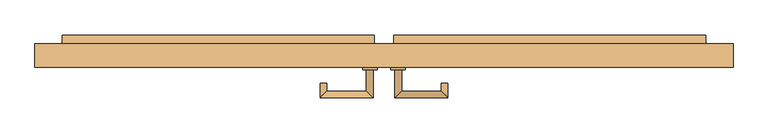
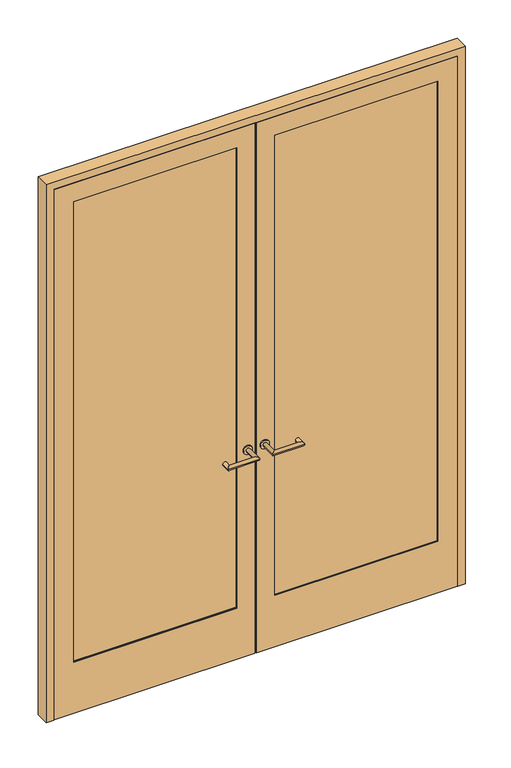
"""IFC4 building model written with IfcOpenShell, lengths in millimetres: door geometry."""

import ifcopenshell
import ifcopenshell.guid

model = None  # the IFC model being written
_history = None  # IfcOwnerHistory: only IFC2X3 demands one
_inside = {}  # id of a spatial element -> (the spatial element, [elements in it])
_under = {}  # id of a project, library or spatial element -> (it, [spatial elements below it])
_declared = {}  # id of a project -> (the project, [libraries it declares])
_typed = {}  # id of a type object -> (the type object, [elements of that type])
_made_of = {}  # id of a material, layer set ... -> (it, [elements and type objects made of it])


def new_model(schema):
    """Start an empty IFC model of exactly this schema.

    Asked for "IFC4X3", IfcOpenShell would pick the latest addendum, in which some entities
    have other attributes; the version numbers below select the first issue.
    IFC2X3 requires an IfcOwnerHistory on every rooted entity: one is made here for all.
    """
    global model, _history
    if schema == "IFC4X3":
        model = ifcopenshell.file(schema_version=(4, 3, 0, 0))
    else:
        model = ifcopenshell.file(schema=schema)
    _inside.clear()
    _under.clear()
    _declared.clear()
    _typed.clear()
    _made_of.clear()
    _history = None
    if model.schema == "IFC2X3":
        org = make("IfcOrganization", Name="unknown")
        user = make(
            "IfcPersonAndOrganization",
            ThePerson=make("IfcPerson", FamilyName="unknown"),
            TheOrganization=org,
        )
        app = make(
            "IfcApplication",
            ApplicationDeveloper=org,
            Version="unknown",
            ApplicationFullName="unknown",
            ApplicationIdentifier="unknown",
        )
        _history = make(
            "IfcOwnerHistory",
            OwningUser=user,
            OwningApplication=app,
            ChangeAction="ADDED",
            CreationDate=0,
        )
    return model


def make(cls, **values):
    """One entity of the class cls with the attributes given. An attribute that is None is left unset."""
    return model.create_entity(
        cls, **{name: value for name, value in values.items() if value is not None}
    )


def rooted(cls, **values):
    """An entity with a GlobalId (a new one), such as an element, a storey or a relation."""
    return make(cls, GlobalId=ifcopenshell.guid.new(), OwnerHistory=_history, **values)


def si_unit(unit_type, name, prefix=None):
    """IfcSIUnit, for example si_unit("LENGTHUNIT", "METRE", prefix="MILLI")."""
    return make("IfcSIUnit", UnitType=unit_type, Prefix=prefix, Name=name)


def assignment(units):
    """IfcUnitAssignment: the units of a project."""
    return None if units is None else make("IfcUnitAssignment", Units=units)


def point(xyz):
    """IfcCartesianPoint."""
    return None if xyz is None else make("IfcCartesianPoint", Coordinates=xyz)


def direction(xyz):
    """IfcDirection."""
    return None if xyz is None else make("IfcDirection", DirectionRatios=xyz)


def frame(location, z_axis=None, x_axis=None):
    """IfcAxis2Placement3D, a coordinate frame: its origin and axes. An axis left out is left unset."""
    return make(
        "IfcAxis2Placement3D",
        Location=point(location),
        Axis=direction(z_axis),
        RefDirection=direction(x_axis),
    )


def frame_2d(location, x_axis=None):
    """IfcAxis2Placement2D, a coordinate frame in the plane: its origin and x axis."""
    return make(
        "IfcAxis2Placement2D", Location=point(location), RefDirection=direction(x_axis)
    )


def origin():
    """The frame at (0, 0, 0) with its axes left unset."""
    return frame((0.0, 0.0, 0.0))


def place(relative_to, where):
    """IfcLocalPlacement: puts the frame where relative to a parent placement (None: the world)."""
    return make(
        "IfcLocalPlacement", PlacementRelTo=relative_to, RelativePlacement=where
    )


def context(
    kind, dimensions, precision=None, world=None, true_north=None, identifier=None
):
    """IfcGeometricRepresentationContext, for example the 3D "Model" context."""
    return make(
        "IfcGeometricRepresentationContext",
        ContextIdentifier=identifier,
        ContextType=kind,
        CoordinateSpaceDimension=dimensions,
        Precision=precision,
        WorldCoordinateSystem=world,
        TrueNorth=true_north,
    )


def project(units=None, contexts=None):
    """IfcProject with its units and contexts."""
    return rooted(
        "IfcProject",
        Name="project",
        RepresentationContexts=contexts,
        UnitsInContext=assignment(units),
    )


def spatial(cls, under=None, at=None, **own):
    """A site, building, storey or space (cls), placed at a placement, below another one or the project."""
    s = rooted(cls, ObjectPlacement=at, **own)
    if under is not None:
        _under.setdefault(under.id(), (under, []))[1].append(s)
    return s


def polyline(points):
    """IfcPolyline through the points."""
    return make("IfcPolyline", Points=[point(p) for p in points])


def circle_curve(where, radius):
    """IfcCircle in the frame where."""
    return make("IfcCircle", Position=where, Radius=radius)


def ellipse_curve(where, semi_axis1, semi_axis2):
    """IfcEllipse in the frame where."""
    return make(
        "IfcEllipse", Position=where, SemiAxis1=semi_axis1, SemiAxis2=semi_axis2
    )


def trimmed(basis, trim1, trim2, sense, master):
    """IfcTrimmedCurve: the piece of a basis curve between two trims."""
    return make(
        "IfcTrimmedCurve",
        BasisCurve=basis,
        Trim1=trim1,
        Trim2=trim2,
        SenseAgreement=sense,
        MasterRepresentation=master,
    )


def segment(curve, same_sense, transition):
    """IfcCompositeCurveSegment."""
    return make(
        "IfcCompositeCurveSegment",
        Transition=transition,
        SameSense=same_sense,
        ParentCurve=curve,
    )


def composite_curve(segments, self_intersect=None):
    """IfcCompositeCurve: segments joined end to end."""
    return make("IfcCompositeCurve", Segments=segments, SelfIntersect=self_intersect)


def outline(outer, holes=None, kind="AREA"):
    """IfcArbitraryClosedProfileDef: a profile drawn as a closed curve; with holes, ...WithVoids."""
    if holes is None:
        return make("IfcArbitraryClosedProfileDef", ProfileType=kind, OuterCurve=outer)
    return make(
        "IfcArbitraryProfileDefWithVoids",
        ProfileType=kind,
        OuterCurve=outer,
        InnerCurves=holes,
    )


def extrude(swept, where, along, depth):
    """IfcExtrudedAreaSolid: the profile swept, set in the frame where, extruded along a direction by depth."""
    return make(
        "IfcExtrudedAreaSolid",
        SweptArea=swept,
        Position=where,
        ExtrudedDirection=direction(along),
        Depth=depth,
    )


def faces_of(points, faces, orient=None, outer=None):
    """IfcFace entities. A face is a list of loops; a loop is a list of indices into points, from 0.

    orient and outer hold one flag for each loop. By default every Orientation is true, the
    first loop of a face is its IfcFaceOuterBound and the others are IfcFaceBound.
    """
    made = []
    for i, loops in enumerate(faces):
        bounds = []
        for j, loop in enumerate(loops):
            is_outer = j == 0 if outer is None else outer[i][j]
            bounds.append(
                make(
                    "IfcFaceOuterBound" if is_outer else "IfcFaceBound",
                    Bound=make("IfcPolyLoop", Polygon=[points[k] for k in loop]),
                    Orientation=True if orient is None else orient[i][j],
                )
            )
        made.append(make("IfcFace", Bounds=bounds))
    return made


def faceted_brep(points, faces, orient=None, outer=None, voids=None):
    """IfcFacetedBrep: a solid bounded by flat faces; with voids (closed shells), ...WithVoids."""
    shared = [point(p) for p in points]
    hull = make("IfcClosedShell", CfsFaces=faces_of(shared, faces, orient, outer))
    if voids is None:
        return make("IfcFacetedBrep", Outer=hull)
    return make(
        "IfcFacetedBrepWithVoids",
        Outer=hull,
        Voids=[
            make(cls, CfsFaces=faces_of(shared, fs, o, b)) for cls, fs, o, b in voids
        ],
    )


def shape(context_of_items, identifier, shape_type, items):
    """IfcShapeRepresentation: the items that make up one representation, for example the "Body"."""
    return make(
        "IfcShapeRepresentation",
        ContextOfItems=context_of_items,
        RepresentationIdentifier=identifier,
        RepresentationType=shape_type,
        Items=items,
    )


def source(mapping_origin, context_of_items, identifier, shape_type, items):
    """IfcRepresentationMap: a shape defined once, which mapped items show again and again."""
    return make(
        "IfcRepresentationMap",
        MappingOrigin=mapping_origin,
        MappedRepresentation=shape(context_of_items, identifier, shape_type, items),
    )


def transform(
    local_origin,
    x_axis=None,
    y_axis=None,
    z_axis=None,
    scale=None,
    scale2=None,
    scale3=None,
    uniform=True,
):
    """IfcCartesianTransformationOperator3D, or its non-uniform kind. x_axis, y_axis, z_axis: its Axis1, 2, 3."""
    if uniform:
        return make(
            "IfcCartesianTransformationOperator3D",
            Axis1=direction(x_axis),
            Axis2=direction(y_axis),
            LocalOrigin=point(local_origin),
            Scale=scale,
            Axis3=direction(z_axis),
        )
    return make(
        "IfcCartesianTransformationOperator3DnonUniform",
        Axis1=direction(x_axis),
        Axis2=direction(y_axis),
        LocalOrigin=point(local_origin),
        Scale=scale,
        Axis3=direction(z_axis),
        Scale2=scale2,
        Scale3=scale3,
    )


def mapped(mapping_source, mapping_target):
    """IfcMappedItem: shows the shape of a source again, moved by a transform."""
    return make(
        "IfcMappedItem", MappingSource=mapping_source, MappingTarget=mapping_target
    )


def made_of(thing, what):
    """Note that an element or type object is made of a material, layer set ...; save() writes the relation."""
    if what is not None:
        _made_of.setdefault(what.id(), (what, []))[1].append(thing)
    return thing


def element(
    cls,
    number,
    at=None,
    inside=None,
    cuts=None,
    type_object=None,
    material=None,
    context=None,
    identifier="Body",
    shape_type=None,
    held_by="IfcProductDefinitionShape",
    body=None,
    shapes=None,
    **own,
):
    """One element of the class cls, such as IfcWall. Its Tag is "e" and its number.

    at: its placement. inside: the storey or other place that contains it. cuts: it is an
    opening in that element (IfcRelVoidsElement). A single representation is given by context,
    identifier, shape_type and body (its items); several are given by shapes. held_by: the class
    of the entity that holds the representations. save() writes the other relations.
    """
    e = rooted(cls, Tag="e%d" % number, ObjectPlacement=at, **own)
    if body is not None:
        shapes = [shape(context, identifier, shape_type, body)]
    if shapes is not None:
        e.Representation = make(held_by, Representations=shapes)
    if inside is not None:
        _inside.setdefault(inside.id(), (inside, []))[1].append(e)
    if cuts is not None:
        rooted(
            "IfcRelVoidsElement", RelatingBuildingElement=cuts, RelatedOpeningElement=e
        )
    if type_object is not None:
        _typed.setdefault(type_object.id(), (type_object, []))[1].append(e)
    return made_of(e, material)


def aggregate(whole, parts):
    """IfcRelAggregates: a whole, such as a stair, and the parts it consists of."""
    return rooted("IfcRelAggregates", RelatingObject=whole, RelatedObjects=parts)


def save(model, path):
    """Write the relations noted so far, then the file.

    IfcRelAggregates (storeys below a building ...), IfcRelContainedInSpatialStructure (elements
    in a storey), IfcRelDefinesByType, IfcRelAssociatesMaterial and IfcRelDeclares: one each for
    every whole, place, type object, material and project.
    """
    for whole, parts in _under.values():
        aggregate(whole, parts)
    for where, things in _inside.values():
        rooted(
            "IfcRelContainedInSpatialStructure",
            RelatedElements=things,
            RelatingStructure=where,
        )
    for kind, things in _typed.values():
        rooted("IfcRelDefinesByType", RelatedObjects=things, RelatingType=kind)
    for what, things in _made_of.values():
        rooted("IfcRelAssociatesMaterial", RelatedObjects=things, RelatingMaterial=what)
    for by, libraries in _declared.values():
        rooted("IfcRelDeclares", RelatingContext=by, RelatedDefinitions=libraries)
    model.write(path)


def plane_surface(at):
    """IfcPlane: the flat surface through the origin of the frame at, square to its z axis."""
    return make("IfcPlane", Position=at)


def cylinder_surface(at, radius):
    """IfcCylindricalSurface: all points at the distance radius from the z axis of the frame at."""
    return make("IfcCylindricalSurface", Position=at, Radius=radius)


def advanced_brep(points, edges, surfaces, faces):
    """IfcAdvancedBrep: a solid bounded by faces that lie on surfaces and meet in shared edges.

    An edge is (start, end): straight between two places in points (the first is 0);
    or (start, end, curve); or (start, end, curve, False) where it runs against its curve.
    A face is (place in surfaces, loops), or (place, loops, False) where it looks against
    its surface's normal. A loop lists edges by number (the first is 1), with a minus sign
    where the edge is run from its end to its start. The first loop is the outer one.
    """
    corners = [point(p) for p in points]
    vertices = [make("IfcVertexPoint", VertexGeometry=c) for c in corners]
    made = []
    for start, end, *more in edges:
        made.append(
            make(
                "IfcEdgeCurve",
                EdgeStart=vertices[start],
                EdgeEnd=vertices[end],
                EdgeGeometry=more[0] if more else make("IfcPolyline", Points=[corners[start], corners[end]]),
                SameSense=more[1] if len(more) > 1 else True,
            )
        )
    hull = []
    for where, loops, *sense in faces:
        bounds = []
        for j, loop in enumerate(loops):
            ring = [make("IfcOrientedEdge", EdgeElement=made[abs(k) - 1], Orientation=k > 0) for k in loop]
            bounds.append(
                make(
                    "IfcFaceOuterBound" if j == 0 else "IfcFaceBound",
                    Bound=make("IfcEdgeLoop", EdgeList=ring),
                    Orientation=True,
                )
            )
        hull.append(make("IfcAdvancedFace", Bounds=bounds, FaceSurface=surfaces[where], SameSense=sense[0] if sense else True))
    return make("IfcAdvancedBrep", Outer=make("IfcClosedShell", CfsFaces=hull))


def door_088f77a7(model_context):
    return source(origin(), model_context, "Body", "SolidModel", [
        extrude(outline(polyline([(2617.7875, -941.3875), (0.0, -941.3875), (0.0, -4.7625), (2617.7875, -4.7625), (2617.7875, -941.3875)]), holes=[polyline([(254.0, -850.9), (2527.3, -850.9), (2527.3, -88.9), (254.0, -88.9), (254.0, -850.9)])]), frame((0.0, -19.05, 0.0), z_axis=(0.0, 1.0, 0.0), x_axis=(0.0, 0.0, 1.0)), (0.0, 0.0, 1.0), 2.4553029),
        faceted_brep([(-920.75, 42.6733196, 2597.15), (-4.7625, 42.6733196, 2597.15), (-4.7625, 42.6733196, 2579.6875), (-903.2875, 42.6733196, 2579.6875), (-903.2875, 42.6733196, 0.0), (-920.75, 42.6733196, 0.0), (-920.75, -16.5946971, 2597.15), (-920.75, -16.5946971, 0.0), (-4.7625, -16.5946971, 0.0), (-4.7625, -16.5946971, 2597.15), (-850.9, -16.5946971, 2527.3), (-88.9, -16.5946971, 2527.3), (-88.9, -16.5946971, 254.0), (-850.9, -16.5946971, 254.0), (-4.7625, 46.0375, 0.0), (-4.7625, 46.0375, 2579.6875), (-88.9, 46.0375, 2527.3), (-88.9, 46.0375, 254.0), (-850.9, 46.0375, 2527.3), (-850.9, 46.0375, 254.0), (-903.2875, 46.0375, 0.0), (-903.2875, 46.0375, 2579.6875)], [[[0, 1, 2, 3, 4, 5]], [[6, 7, 8, 9], [10, 11, 12, 13]], [[1, 0, 6, 9]], [[9, 8, 14, 15, 2, 1]], [[12, 11, 16, 17]], [[16, 11, 10, 18]], [[18, 10, 13, 19]], [[14, 8, 7, 5, 4, 20]], [[0, 5, 7, 6]], [[20, 21, 15, 14], [19, 17, 16, 18]], [[21, 20, 4, 3]], [[15, 21, 3, 2]], [[19, 13, 12, 17]]]),
        extrude(outline(polyline([(-850.9, 25.4), (-88.9, 25.4), (-88.9, -12.7), (-850.9, -12.7), (-850.9, 25.4)])), frame((0.0, 0.0, 254.0), z_axis=(0.0, 0.0, 1.0), x_axis=(1.0, 0.0, 0.0)), (0.0, 0.0, 1.0), 2273.3),
        advanced_brep(
        [(-49.2125, -25.4, 1020.7625), (-30.1625, -25.4, 1020.7625), (-30.1625, -104.775, 1020.7625), (-49.2125, -85.725, 1020.7625), (-179.3875, -104.775, 1020.7625), (-160.3375, -85.725, 1020.7625), (-160.3375, -63.5, 1020.7625), (-179.3875, -63.5, 1020.7625)],
        [
            (0, 1, circle_curve(frame((-39.6875, -25.4, 1020.7625), z_axis=(0.0, 1.0, 0.0), x_axis=(1.0000000000000004, 0.0, 0.0)), 9.525)),
            (1, 0, circle_curve(frame((-39.6875, -25.4, 1020.7625), z_axis=(0.0, 1.0, 0.0), x_axis=(1.0000000000000004, 0.0, 0.0)), 9.525)),
            (1, 2),
            (2, 3, ellipse_curve(frame((-39.6875, -95.25, 1020.7625), z_axis=(0.7071067811865587, 0.7071067811865362, 0.0), x_axis=(-0.7071067811865362, 0.7071067811865588, 0.0)), 13.4703842, 9.525)),
            (3, 0),
            (3, 2, ellipse_curve(frame((-39.6875, -95.25, 1020.7625), z_axis=(0.7071067811865587, 0.7071067811865362, 0.0), x_axis=(-0.7071067811865362, 0.7071067811865588, 0.0)), 13.4703842, 9.525)),
            (2, 4),
            (4, 5, ellipse_curve(frame((-169.8625, -95.25, 1020.7625), z_axis=(0.7071067811865361, -0.7071067811865589, 0.0), x_axis=(0.7071067811865588, 0.7071067811865361, 0.0)), 13.4703842, 9.525)),
            (5, 3),
            (5, 4, ellipse_curve(frame((-169.8625, -95.25, 1020.7625), z_axis=(0.7071067811865361, -0.7071067811865589, 0.0), x_axis=(0.7071067811865588, 0.7071067811865361, 0.0)), 13.4703842, 9.525)),
            (6, 7, circle_curve(frame((-169.8625, -63.5, 1020.7625), z_axis=(0.0, 1.0, 0.0), x_axis=(-1.0000000000000004, 0.0, 0.0)), 9.525)),
            (7, 6, circle_curve(frame((-169.8625, -63.5, 1020.7625), z_axis=(0.0, 1.0, 0.0), x_axis=(-1.0000000000000004, 0.0, 0.0)), 9.525)),
            (4, 7),
            (6, 5),
        ],
        [
            plane_surface(frame((-39.6875, -25.4, 0.0), z_axis=(0.0, 1.0, 0.0), x_axis=(0.0, 0.0, 1.0))),
            cylinder_surface(frame((-39.6875, -25.4, 1020.7625), z_axis=(0.0, 1.0000000000000004, 0.0), x_axis=(1.0000000000000004, 0.0, 0.0)), 9.525),
            cylinder_surface(frame((-39.6875, -95.25, 1020.7625), z_axis=(1.0000000000000004, 0.0, 0.0), x_axis=(0.0, -1.0000000000000004, 0.0)), 9.525),
            plane_surface(frame((-169.8625, -63.5, 0.0), z_axis=(0.0, 1.0, 0.0), x_axis=(0.0, 0.0, 1.0))),
            cylinder_surface(frame((-169.8625, -95.25, 1020.7625), z_axis=(0.0, -1.0000000000000004, 0.0), x_axis=(-1.0000000000000004, 0.0, 0.0)), 9.525),
        ],
        [
            (0, [[1, 2]]),
            (1, [[-2, 3, 4, 5]]),
            (1, [[-1, -5, 6, -3]]),
            (2, [[-4, 7, 8, 9]]),
            (2, [[-6, -9, 10, -7]]),
            (3, [[11, 12]]),
            (4, [[-8, 13, -11, 14]]),
            (4, [[-10, -14, -12, -13]]),
        ],
    ),
        extrude(outline(polyline([(-903.2875, 71.4375), (-26.9875, 71.4375), (-26.9875, 46.0375), (-903.2875, 46.0375), (-903.2875, 71.4375)])), frame((0.0, 0.0, 986.63125), z_axis=(0.0, 0.0, 1.0), x_axis=(1.0, 0.0, 0.0)), (0.0, 0.0, 1.0), 68.2625),
        extrude(outline(composite_curve([segment(trimmed(circle_curve(frame_2d((1020.7625, -39.6875)), 20.6375), [point((1020.7625, -60.325))], [point((1020.7625, -19.05))], False, "CARTESIAN"), True, "CONTINUOUS"), segment(trimmed(circle_curve(frame_2d((1020.7625, -39.6875)), 20.6375), [point((1020.7625, -19.05))], [point((1020.7625, -60.325))], False, "CARTESIAN"), True, "CONTINUOUS")], self_intersect=False)), frame((0.0, -25.4, 0.0), z_axis=(0.0, 1.0, 0.0), x_axis=(0.0, 0.0, 1.0)), (0.0, 0.0, 1.0), 6.35),
        extrude(outline(polyline([(2617.7875, 941.3875), (2617.7875, 4.7625), (0.0, 4.7625), (0.0, 941.3875), (2617.7875, 941.3875)]), holes=[polyline([(254.0, 850.9), (254.0, 88.9), (2527.3, 88.9), (2527.3, 850.9), (254.0, 850.9)])]), frame((0.0, -19.05, 0.0), z_axis=(0.0, 1.0, 0.0), x_axis=(0.0, 0.0, 1.0)), (0.0, 0.0, 1.0), 2.4553029),
        faceted_brep([(920.75, 42.6733196, 2597.15), (920.75, 42.6733196, 0.0), (903.2875, 42.6733196, 0.0), (903.2875, 42.6733196, 2579.6875), (4.7625, 42.6733196, 2579.6875), (4.7625, 42.6733196, 2597.15), (920.75, -16.5946971, 2597.15), (4.7625, -16.5946971, 2597.15), (4.7625, -16.5946971, 0.0), (920.75, -16.5946971, 0.0), (850.9, -16.5946971, 2527.3), (850.9, -16.5946971, 254.0), (88.9, -16.5946971, 254.0), (88.9, -16.5946971, 2527.3), (4.7625, 46.0375, 2579.6875), (4.7625, 46.0375, 0.0), (88.9, 46.0375, 254.0), (88.9, 46.0375, 2527.3), (850.9, 46.0375, 2527.3), (850.9, 46.0375, 254.0), (903.2875, 46.0375, 0.0), (903.2875, 46.0375, 2579.6875)], [[[0, 1, 2, 3, 4, 5]], [[6, 7, 8, 9], [10, 11, 12, 13]], [[5, 7, 6, 0]], [[7, 5, 4, 14, 15, 8]], [[12, 16, 17, 13]], [[17, 18, 10, 13]], [[18, 19, 11, 10]], [[15, 20, 2, 1, 9, 8]], [[0, 6, 9, 1]], [[20, 15, 14, 21], [19, 18, 17, 16]], [[21, 3, 2, 20]], [[14, 4, 3, 21]], [[19, 16, 12, 11]]]),
        extrude(outline(polyline([(850.9, 25.4), (850.9, -12.7), (88.9, -12.7), (88.9, 25.4), (850.9, 25.4)])), frame((0.0, 0.0, 254.0), z_axis=(0.0, 0.0, 1.0), x_axis=(1.0, 0.0, 0.0)), (0.0, 0.0, 1.0), 2273.3),
        advanced_brep(
        [(49.2125, -25.4, 1020.7625), (30.1625, -25.4, 1020.7625), (49.2125, -85.725, 1020.7625), (30.1625, -104.775, 1020.7625), (160.3375, -85.725, 1020.7625), (179.3875, -104.775, 1020.7625), (160.3375, -63.5, 1020.7625), (179.3875, -63.5, 1020.7625)],
        [
            (0, 1, circle_curve(frame((39.6875, -25.4, 1020.7625), z_axis=(0.0, 1.0, 0.0), x_axis=(-1.0000000000000004, 0.0, 0.0)), 9.525)),
            (1, 0, circle_curve(frame((39.6875, -25.4, 1020.7625), z_axis=(0.0, 1.0, 0.0), x_axis=(-1.0000000000000004, 0.0, 0.0)), 9.525)),
            (0, 2),
            (2, 3, ellipse_curve(frame((39.6875, -95.25, 1020.7625), z_axis=(-0.7071067811865587, 0.7071067811865362, 0.0), x_axis=(0.7071067811865362, 0.7071067811865588, 0.0)), 13.4703842, 9.525)),
            (3, 1),
            (3, 2, ellipse_curve(frame((39.6875, -95.25, 1020.7625), z_axis=(-0.7071067811865587, 0.7071067811865362, 0.0), x_axis=(0.7071067811865362, 0.7071067811865588, 0.0)), 13.4703842, 9.525)),
            (2, 4),
            (4, 5, ellipse_curve(frame((169.8625, -95.25, 1020.7625), z_axis=(-0.7071067811865361, -0.7071067811865589, 0.0), x_axis=(-0.7071067811865588, 0.7071067811865361, 0.0)), 13.4703842, 9.525)),
            (5, 3),
            (5, 4, ellipse_curve(frame((169.8625, -95.25, 1020.7625), z_axis=(-0.7071067811865361, -0.7071067811865589, 0.0), x_axis=(-0.7071067811865588, 0.7071067811865361, 0.0)), 13.4703842, 9.525)),
            (6, 7, circle_curve(frame((169.8625, -63.5, 1020.7625), z_axis=(0.0, 1.0, 0.0), x_axis=(1.0000000000000004, 0.0, 0.0)), 9.525)),
            (7, 6, circle_curve(frame((169.8625, -63.5, 1020.7625), z_axis=(0.0, 1.0, 0.0), x_axis=(1.0000000000000004, 0.0, 0.0)), 9.525)),
            (4, 6),
            (7, 5),
        ],
        [
            plane_surface(frame((39.6875, -25.4, 0.0), z_axis=(0.0, 1.0, 0.0), x_axis=(0.0, 0.0, 1.0))),
            cylinder_surface(frame((39.6875, -25.4, 1020.7625), z_axis=(0.0, 1.0000000000000004, 0.0), x_axis=(-1.0000000000000004, 0.0, 0.0)), 9.525),
            cylinder_surface(frame((39.6875, -95.25, 1020.7625), z_axis=(-1.0000000000000004, 0.0, 0.0), x_axis=(0.0, -1.0000000000000004, 0.0)), 9.525),
            plane_surface(frame((169.8625, -63.5, 0.0), z_axis=(0.0, 1.0, 0.0), x_axis=(0.0, 0.0, 1.0))),
            cylinder_surface(frame((169.8625, -95.25, 1020.7625), z_axis=(0.0, -1.0000000000000004, 0.0), x_axis=(1.0000000000000004, 0.0, 0.0)), 9.525),
        ],
        [
            (0, [[1, 2]]),
            (1, [[3, 4, 5, -1]]),
            (1, [[-5, 6, -3, -2]]),
            (2, [[7, 8, 9, -4]]),
            (2, [[-9, 10, -7, -6]]),
            (3, [[11, 12]]),
            (4, [[13, -12, 14, -8]]),
            (4, [[-14, -11, -13, -10]]),
        ],
    ),
        extrude(outline(polyline([(903.2875, 71.4375), (903.2875, 46.0375), (26.9875, 46.0375), (26.9875, 71.4375), (903.2875, 71.4375)])), frame((0.0, 0.0, 986.63125), z_axis=(0.0, 0.0, 1.0), x_axis=(1.0, 0.0, 0.0)), (0.0, 0.0, 1.0), 68.2625),
        extrude(outline(composite_curve([segment(trimmed(circle_curve(frame_2d((1020.7625, 39.6875)), 20.6375), [point((1020.7625, 60.325))], [point((1020.7625, 19.05))], False, "CARTESIAN"), True, "CONTINUOUS"), segment(trimmed(circle_curve(frame_2d((1020.7625, 39.6875)), 20.6375), [point((1020.7625, 19.05))], [point((1020.7625, 60.325))], False, "CARTESIAN"), True, "CONTINUOUS")], self_intersect=False)), frame((0.0, -25.4, 0.0), z_axis=(0.0, 1.0, 0.0), x_axis=(0.0, 0.0, 1.0)), (0.0, 0.0, 1.0), 6.35),
        faceted_brep([(979.4875, -19.05, 0.0), (944.5625, -19.05, 0.0), (944.5625, -12.7, 0.0), (930.275, -12.7, 0.0), (930.275, 42.8625, 0.0), (909.6375, 42.8625, 0.0), (909.6375, 46.0375, 0.0), (979.4875, 46.0375, 0.0), (979.4875, 46.0375, 2655.8875), (979.4875, -19.05, 2655.8875), (909.6375, 46.0375, 2586.0375), (-909.6375, 46.0375, 2586.0375), (-909.6375, 46.0375, 0.0), (-979.4875, 46.0375, 0.0), (-979.4875, 46.0375, 2655.8875), (909.6375, 42.8625, 2586.0375), (930.275, 42.8625, 2606.675), (-930.275, 42.8625, 2606.675), (-930.275, 42.8625, 0.0), (-909.6375, 42.8625, 0.0), (-909.6375, 42.8625, 2586.0375), (930.275, -12.7, 2606.675), (944.5625, -12.7, 2620.9625), (-944.5625, -12.7, 2620.9625), (-944.5625, -12.7, 0.0), (-930.275, -12.7, 0.0), (-930.275, -12.7, 2606.675), (944.5625, -19.05, 2620.9625), (-979.4875, -19.05, 2655.8875), (-979.4875, -19.05, 0.0), (-944.5625, -19.05, 0.0), (-944.5625, -19.05, 2620.9625)], [[[0, 1, 2, 3, 4, 5, 6, 7]], [[7, 8, 9, 0]], [[6, 10, 11, 12, 13, 14, 8, 7]], [[5, 15, 10, 6]], [[4, 16, 17, 18, 19, 20, 15, 5]], [[3, 21, 16, 4]], [[2, 22, 23, 24, 25, 26, 21, 3]], [[1, 27, 22, 2]], [[0, 9, 28, 29, 30, 31, 27, 1]], [[14, 13, 29, 28]], [[29, 13, 12, 19, 18, 25, 24, 30]], [[20, 19, 12, 11]], [[26, 25, 18, 17]], [[31, 30, 24, 23]], [[8, 14, 28, 9]], [[15, 20, 11, 10]], [[27, 31, 23, 22]], [[21, 26, 17, 16]]]),
    ])


if __name__ == "__main__":
    model = new_model("IFC4")
    model_context = context("Model", 3, world=origin())
    ifc_project = project(units=[si_unit("LENGTHUNIT", "METRE", prefix="MILLI")], contexts=[model_context])
    site = spatial("IfcSite", under=ifc_project)
    building = spatial("IfcBuilding", under=site)
    placement = place(None, origin())
    door_shape = door_088f77a7(model_context)
    element("IfcDoor", 1, at=placement, inside=building, context=model_context, shape_type="MappedRepresentation", body=[
        mapped(door_shape, transform((0.0, 0.0, 0.0), x_axis=(1.0, 0.0, 0.0), y_axis=(0.0, 1.0, 0.0), z_axis=(0.0, 0.0, 1.0))),
    ])
    save(model, "model.ifc")
